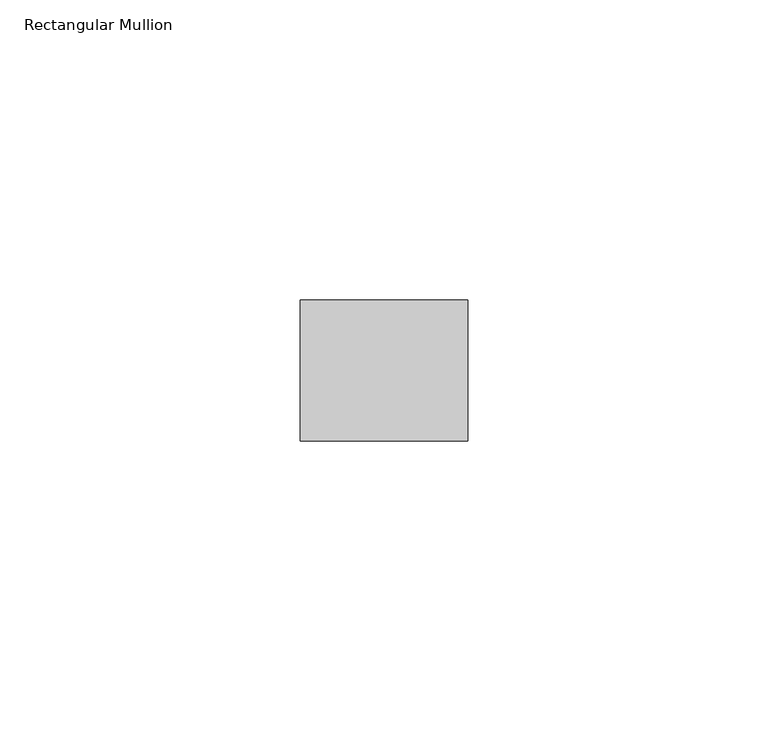
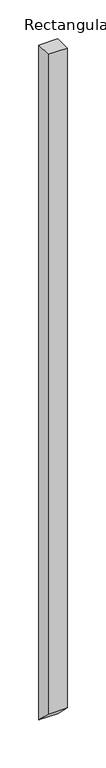
"""IFC4 building model written with IfcOpenShell, lengths in millimetres: member geometry, Rectangular Mullion."""

import ifcopenshell
import ifcopenshell.guid

model = None  # the IFC model being written
_history = None  # IfcOwnerHistory: only IFC2X3 demands one
_inside = {}  # id of a spatial element -> (the spatial element, [elements in it])
_under = {}  # id of a project, library or spatial element -> (it, [spatial elements below it])
_declared = {}  # id of a project -> (the project, [libraries it declares])
_typed = {}  # id of a type object -> (the type object, [elements of that type])
_made_of = {}  # id of a material, layer set ... -> (it, [elements and type objects made of it])


def new_model(schema):
    """Start an empty IFC model of exactly this schema.

    Asked for "IFC4X3", IfcOpenShell would pick the latest addendum, in which some entities
    have other attributes; the version numbers below select the first issue.
    IFC2X3 requires an IfcOwnerHistory on every rooted entity: one is made here for all.
    """
    global model, _history
    if schema == "IFC4X3":
        model = ifcopenshell.file(schema_version=(4, 3, 0, 0))
    else:
        model = ifcopenshell.file(schema=schema)
    _inside.clear()
    _under.clear()
    _declared.clear()
    _typed.clear()
    _made_of.clear()
    _history = None
    if model.schema == "IFC2X3":
        org = make("IfcOrganization", Name="unknown")
        user = make(
            "IfcPersonAndOrganization",
            ThePerson=make("IfcPerson", FamilyName="unknown"),
            TheOrganization=org,
        )
        app = make(
            "IfcApplication",
            ApplicationDeveloper=org,
            Version="unknown",
            ApplicationFullName="unknown",
            ApplicationIdentifier="unknown",
        )
        _history = make(
            "IfcOwnerHistory",
            OwningUser=user,
            OwningApplication=app,
            ChangeAction="ADDED",
            CreationDate=0,
        )
    return model


def make(cls, **values):
    """One entity of the class cls with the attributes given. An attribute that is None is left unset."""
    return model.create_entity(
        cls, **{name: value for name, value in values.items() if value is not None}
    )


def rooted(cls, **values):
    """An entity with a GlobalId (a new one), such as an element, a storey or a relation."""
    return make(cls, GlobalId=ifcopenshell.guid.new(), OwnerHistory=_history, **values)


def si_unit(unit_type, name, prefix=None):
    """IfcSIUnit, for example si_unit("LENGTHUNIT", "METRE", prefix="MILLI")."""
    return make("IfcSIUnit", UnitType=unit_type, Prefix=prefix, Name=name)


def assignment(units):
    """IfcUnitAssignment: the units of a project."""
    return None if units is None else make("IfcUnitAssignment", Units=units)


def point(xyz):
    """IfcCartesianPoint."""
    return None if xyz is None else make("IfcCartesianPoint", Coordinates=xyz)


def direction(xyz):
    """IfcDirection."""
    return None if xyz is None else make("IfcDirection", DirectionRatios=xyz)


def frame(location, z_axis=None, x_axis=None):
    """IfcAxis2Placement3D, a coordinate frame: its origin and axes. An axis left out is left unset."""
    return make(
        "IfcAxis2Placement3D",
        Location=point(location),
        Axis=direction(z_axis),
        RefDirection=direction(x_axis),
    )


def origin():
    """The frame at (0, 0, 0) with its axes left unset."""
    return frame((0.0, 0.0, 0.0))


def place(relative_to, where):
    """IfcLocalPlacement: puts the frame where relative to a parent placement (None: the world)."""
    return make(
        "IfcLocalPlacement", PlacementRelTo=relative_to, RelativePlacement=where
    )


def context(
    kind, dimensions, precision=None, world=None, true_north=None, identifier=None
):
    """IfcGeometricRepresentationContext, for example the 3D "Model" context."""
    return make(
        "IfcGeometricRepresentationContext",
        ContextIdentifier=identifier,
        ContextType=kind,
        CoordinateSpaceDimension=dimensions,
        Precision=precision,
        WorldCoordinateSystem=world,
        TrueNorth=true_north,
    )


def project(units=None, contexts=None):
    """IfcProject with its units and contexts."""
    return rooted(
        "IfcProject",
        Name="project",
        RepresentationContexts=contexts,
        UnitsInContext=assignment(units),
    )


def spatial(cls, under=None, at=None, **own):
    """A site, building, storey or space (cls), placed at a placement, below another one or the project."""
    s = rooted(cls, ObjectPlacement=at, **own)
    if under is not None:
        _under.setdefault(under.id(), (under, []))[1].append(s)
    return s


def polyline(points):
    """IfcPolyline through the points."""
    return make("IfcPolyline", Points=[point(p) for p in points])


def outline(outer, holes=None, kind="AREA"):
    """IfcArbitraryClosedProfileDef: a profile drawn as a closed curve; with holes, ...WithVoids."""
    if holes is None:
        return make("IfcArbitraryClosedProfileDef", ProfileType=kind, OuterCurve=outer)
    return make(
        "IfcArbitraryProfileDefWithVoids",
        ProfileType=kind,
        OuterCurve=outer,
        InnerCurves=holes,
    )


def extrude(swept, where, along, depth):
    """IfcExtrudedAreaSolid: the profile swept, set in the frame where, extruded along a direction by depth."""
    return make(
        "IfcExtrudedAreaSolid",
        SweptArea=swept,
        Position=where,
        ExtrudedDirection=direction(along),
        Depth=depth,
    )


def shape(context_of_items, identifier, shape_type, items):
    """IfcShapeRepresentation: the items that make up one representation, for example the "Body"."""
    return make(
        "IfcShapeRepresentation",
        ContextOfItems=context_of_items,
        RepresentationIdentifier=identifier,
        RepresentationType=shape_type,
        Items=items,
    )


def source(mapping_origin, context_of_items, identifier, shape_type, items):
    """IfcRepresentationMap: a shape defined once, which mapped items show again and again."""
    return make(
        "IfcRepresentationMap",
        MappingOrigin=mapping_origin,
        MappedRepresentation=shape(context_of_items, identifier, shape_type, items),
    )


def transform(
    local_origin,
    x_axis=None,
    y_axis=None,
    z_axis=None,
    scale=None,
    scale2=None,
    scale3=None,
    uniform=True,
):
    """IfcCartesianTransformationOperator3D, or its non-uniform kind. x_axis, y_axis, z_axis: its Axis1, 2, 3."""
    if uniform:
        return make(
            "IfcCartesianTransformationOperator3D",
            Axis1=direction(x_axis),
            Axis2=direction(y_axis),
            LocalOrigin=point(local_origin),
            Scale=scale,
            Axis3=direction(z_axis),
        )
    return make(
        "IfcCartesianTransformationOperator3DnonUniform",
        Axis1=direction(x_axis),
        Axis2=direction(y_axis),
        LocalOrigin=point(local_origin),
        Scale=scale,
        Axis3=direction(z_axis),
        Scale2=scale2,
        Scale3=scale3,
    )


def mapped(mapping_source, mapping_target):
    """IfcMappedItem: shows the shape of a source again, moved by a transform."""
    return make(
        "IfcMappedItem", MappingSource=mapping_source, MappingTarget=mapping_target
    )


def made_of(thing, what):
    """Note that an element or type object is made of a material, layer set ...; save() writes the relation."""
    if what is not None:
        _made_of.setdefault(what.id(), (what, []))[1].append(thing)
    return thing


def element(
    cls,
    number,
    at=None,
    inside=None,
    cuts=None,
    type_object=None,
    material=None,
    context=None,
    identifier="Body",
    shape_type=None,
    held_by="IfcProductDefinitionShape",
    body=None,
    shapes=None,
    **own,
):
    """One element of the class cls, such as IfcWall. Its Tag is "e" and its number.

    at: its placement. inside: the storey or other place that contains it. cuts: it is an
    opening in that element (IfcRelVoidsElement). A single representation is given by context,
    identifier, shape_type and body (its items); several are given by shapes. held_by: the class
    of the entity that holds the representations. save() writes the other relations.
    """
    e = rooted(cls, Tag="e%d" % number, ObjectPlacement=at, **own)
    if body is not None:
        shapes = [shape(context, identifier, shape_type, body)]
    if shapes is not None:
        e.Representation = make(held_by, Representations=shapes)
    if inside is not None:
        _inside.setdefault(inside.id(), (inside, []))[1].append(e)
    if cuts is not None:
        rooted(
            "IfcRelVoidsElement", RelatingBuildingElement=cuts, RelatedOpeningElement=e
        )
    if type_object is not None:
        _typed.setdefault(type_object.id(), (type_object, []))[1].append(e)
    return made_of(e, material)


def aggregate(whole, parts):
    """IfcRelAggregates: a whole, such as a stair, and the parts it consists of."""
    return rooted("IfcRelAggregates", RelatingObject=whole, RelatedObjects=parts)


def save(model, path):
    """Write the relations noted so far, then the file.

    IfcRelAggregates (storeys below a building ...), IfcRelContainedInSpatialStructure (elements
    in a storey), IfcRelDefinesByType, IfcRelAssociatesMaterial and IfcRelDeclares: one each for
    every whole, place, type object, material and project.
    """
    for whole, parts in _under.values():
        aggregate(whole, parts)
    for where, things in _inside.values():
        rooted(
            "IfcRelContainedInSpatialStructure",
            RelatedElements=things,
            RelatingStructure=where,
        )
    for kind, things in _typed.values():
        rooted("IfcRelDefinesByType", RelatedObjects=things, RelatingType=kind)
    for what, things in _made_of.values():
        rooted("IfcRelAssociatesMaterial", RelatedObjects=things, RelatingMaterial=what)
    for by, libraries in _declared.values():
        rooted("IfcRelDeclares", RelatingContext=by, RelatedDefinitions=libraries)
    model.write(path)


def rectangular_mullion_93763834(model_context):
    return source(origin(), model_context, "Body", "SweptSolid", [
        extrude(outline(polyline([(-11.7474999, 0.0), (11.7474999, 0.0), (11.7474999, -1056.3256149), (-11.7474999, -1032.830615), (-11.7474999, 0.0)])), frame((-27.94, 0.0, 0.0), z_axis=(1.0, 0.0, 0.0), x_axis=(0.0, 1.0, 0.0)), (0.0, 0.0, 1.0), 27.94),
    ])


if __name__ == "__main__":
    model = new_model("IFC4")
    model_context = context("Model", 3, world=origin())
    ifc_project = project(units=[si_unit("LENGTHUNIT", "METRE", prefix="MILLI")], contexts=[model_context])
    site = spatial("IfcSite", under=ifc_project)
    building = spatial("IfcBuilding", under=site)
    placement = place(None, origin())
    rectangular_mullion_shape = rectangular_mullion_93763834(model_context)
    element("IfcMember", 1, ObjectType="Rectangular Mullion", at=placement, inside=building, context=model_context, shape_type="MappedRepresentation", body=[
        mapped(rectangular_mullion_shape, transform((0.0, 0.0, 0.0), x_axis=(1.0, 0.0, 0.0), y_axis=(0.0, 1.0, 0.0), z_axis=(0.0, 0.0, 1.0))),
    ])
    save(model, "model.ifc")
